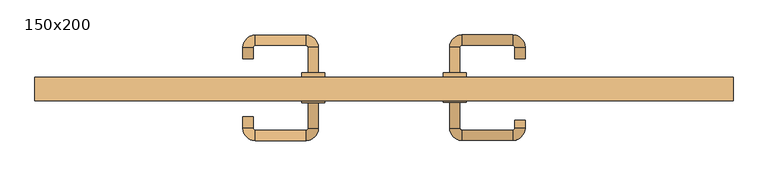
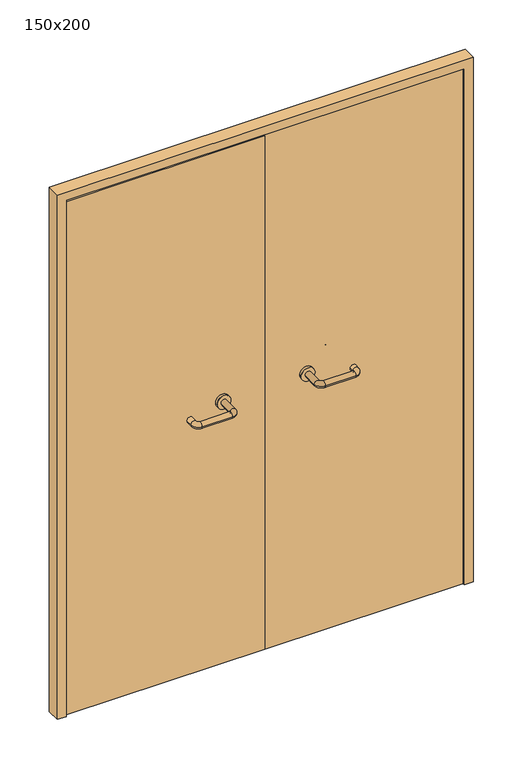
"""IFC4 building model written with IfcOpenShell, lengths in millimetres: door geometry, 150x200."""

from ifc_helpers import new_model, si_unit, point, frame, frame_2d, origin, place, context, project, spatial, polyline, circle_curve, ellipse_curve, trimmed, segment, composite_curve, outline, extrude, source, transform, mapped, element, save
from ifc_brep_helpers import plane_surface, cylinder_surface, revolved_surface, advanced_brep


def door_150x200_5b29adca(model_context):
    return source(origin(), model_context, "Body", "SolidModel", [
        extrude(outline(polyline([(2000.0, -750.0), (0.0, -750.0), (0.0, -718.0), (1968.0, -718.0), (1968.0, 718.0), (0.0, 718.0), (0.0, 750.0), (2000.0, 750.0), (2000.0, -750.0)])), frame((0.0, 100.0, 0.0), z_axis=(0.0, 1.0, 0.0), x_axis=(0.0, 0.0, 1.0)), (0.0, 0.0, 1.0), 50.0),
        advanced_brep(
        [(140.99898, 96.0, 1003.0), (162.99898, 96.0, 1003.0), (140.99898, 40.6474631, 1003.0), (162.99898, 40.6474631, 1003.0), (166.99898, 36.6474631, 1003.0), (166.99898, 14.6474631, 1003.0), (276.99898, 14.6474631, 1003.0), (276.99898, 36.6474631, 1003.0), (280.99898, 40.6474631, 1003.0), (302.99898, 40.6474631, 1003.0), (302.99898, 58.0, 1003.0), (280.99898, 58.0, 1003.0)],
        [
            (0, 1, circle_curve(frame((151.99898, 96.0, 1003.0), z_axis=(0.0, 1.0, 0.0), x_axis=(1.0, 0.0, 0.0)), 11.0)),
            (1, 0, circle_curve(frame((151.99898, 96.0, 1003.0), z_axis=(0.0, 1.0, 0.0), x_axis=(1.0, 0.0, 0.0)), 11.0)),
            (0, 2),
            (2, 3, circle_curve(frame((151.99898, 40.6474631, 1003.0), z_axis=(0.0, 1.0, 0.0), x_axis=(1.0, 0.0, 0.0)), 11.0)),
            (3, 1),
            (3, 2, circle_curve(frame((151.99898, 40.6474631, 1003.0), z_axis=(0.0, 1.0, 0.0), x_axis=(1.0, 0.0, 0.0)), 11.0)),
            (4, 3, circle_curve(frame((166.99898, 40.6474631, 1003.0), z_axis=(0.0, 0.0, -1.0), x_axis=(-1.0, 0.0, 0.0)), 4.0)),
            (2, 5, circle_curve(frame((166.99898, 40.6474631, 1003.0), z_axis=(0.0, 0.0, 1.0), x_axis=(-1.0, 0.0, 0.0)), 26.0)),
            (5, 4, circle_curve(frame((166.99898, 25.6474631, 1003.0), z_axis=(-1.0, 0.0, 0.0), x_axis=(0.0, 1.0, 0.0)), 11.0)),
            (4, 5, circle_curve(frame((166.99898, 25.6474631, 1003.0), z_axis=(-1.0, 0.0, 0.0), x_axis=(0.0, 1.0, 0.0)), 11.0)),
            (5, 6),
            (6, 7, circle_curve(frame((276.99898, 25.6474631, 1003.0), z_axis=(-1.0, 0.0, 0.0), x_axis=(0.0, 1.0, 0.0)), 11.0)),
            (7, 4),
            (7, 6, circle_curve(frame((276.99898, 25.6474631, 1003.0), z_axis=(-1.0, 0.0, 0.0), x_axis=(0.0, 1.0, 0.0)), 11.0)),
            (8, 7, circle_curve(frame((276.99898, 40.6474631, 1003.0), z_axis=(0.0, 0.0, -1.0), x_axis=(0.0, -1.0, 0.0)), 4.0)),
            (6, 9, circle_curve(frame((276.99898, 40.6474631, 1003.0), z_axis=(0.0, 0.0, 1.0), x_axis=(0.0, -1.0, 0.0)), 26.0)),
            (9, 8, circle_curve(frame((291.99898, 40.6474631, 1003.0), z_axis=(0.0, -1.0, 0.0), x_axis=(-1.0, 0.0, 0.0)), 11.0)),
            (8, 9, circle_curve(frame((291.99898, 40.6474631, 1003.0), z_axis=(0.0, -1.0, 0.0), x_axis=(-1.0, 0.0, 0.0)), 11.0)),
            (10, 11, circle_curve(frame((291.99898, 58.0, 1003.0), z_axis=(0.0, 1.0, 0.0), x_axis=(-1.0, 0.0, 0.0)), 11.0)),
            (11, 10, circle_curve(frame((291.99898, 58.0, 1003.0), z_axis=(0.0, 1.0, 0.0), x_axis=(-1.0, 0.0, 0.0)), 11.0)),
            (9, 10),
            (11, 8),
        ],
        [
            plane_surface(frame((140.99898, 96.0, 1003.0), z_axis=(0.0, 1.0, 0.0), x_axis=(0.0, 0.0, -1.0))),
            cylinder_surface(frame((151.99898, 96.0, 1003.0), z_axis=(0.0, 1.0, 0.0), x_axis=(1.0, 0.0, 0.0)), 11.0),
            revolved_surface(trimmed(ellipse_curve(frame((151.99898, 40.6474631, 1003.0), z_axis=(0.0, 1.0, 0.0), x_axis=(1.0, 0.0, 0.0)), 11.0, 11.0), [point((140.99898, 40.6474631, 1003.0))], [point((162.99898, 40.6474631, 1003.0))], True, "CARTESIAN"), (166.99898, 40.6474631, 1003.0), (0.0, 0.0, 1.0)),
            revolved_surface(trimmed(ellipse_curve(frame((151.99898, 40.6474631, 1003.0), z_axis=(0.0, 1.0, 0.0), x_axis=(1.0, 0.0, 0.0)), 11.0, 11.0), [point((162.99898, 40.6474631, 1003.0))], [point((140.99898, 40.6474631, 1003.0))], True, "CARTESIAN"), (166.99898, 40.6474631, 1003.0), (0.0, 0.0, 1.0)),
            cylinder_surface(frame((166.99898, 25.6474631, 1003.0), z_axis=(-1.0, 0.0, 0.0), x_axis=(0.0, 1.0, 0.0)), 11.0),
            revolved_surface(trimmed(ellipse_curve(frame((276.99898, 25.6474631, 1003.0), z_axis=(-1.0, 0.0, 0.0), x_axis=(0.0, 1.0, 0.0)), 11.0, 11.0), [point((276.99898, 14.6474631, 1003.0))], [point((276.99898, 36.6474631, 1003.0))], True, "CARTESIAN"), (276.99898, 40.6474631, 1003.0), (0.0, 0.0, 1.0)),
            revolved_surface(trimmed(ellipse_curve(frame((276.99898, 25.6474631, 1003.0), z_axis=(-1.0, 0.0, 0.0), x_axis=(0.0, 1.0, 0.0)), 11.0, 11.0), [point((276.99898, 36.6474631, 1003.0))], [point((276.99898, 14.6474631, 1003.0))], True, "CARTESIAN"), (276.99898, 40.6474631, 1003.0), (0.0, 0.0, 1.0)),
            plane_surface(frame((280.99898, 58.0, 1003.0), z_axis=(0.0, 1.0, 0.0), x_axis=(0.0, 0.0, 1.0))),
            cylinder_surface(frame((291.99898, 40.6474631, 1003.0), z_axis=(0.0, -1.0, 0.0), x_axis=(-1.0, 0.0, 0.0)), 11.0),
        ],
        [
            (0, [[1, 2]]),
            (1, [[-1, 3, 4, 5]]),
            (1, [[-2, -5, 6, -3]]),
            (2, [[7, -4, 8, 9]]),
            (3, [[-8, -6, -7, 10]]),
            (4, [[-9, 11, 12, 13]]),
            (4, [[-10, -13, 14, -11]]),
            (5, [[15, -12, 16, 17]]),
            (6, [[-16, -14, -15, 18]]),
            (7, [[19, 20]]),
            (8, [[-17, 21, -20, 22]]),
            (8, [[-18, -22, -19, -21]]),
        ],
    ),
        extrude(outline(composite_curve([segment(trimmed(circle_curve(frame_2d((1003.0, 151.99898)), 25.0), [point((1003.0, 126.99898))], [point((1003.0, 176.99898))], False, "CARTESIAN"), True, "CONTINUOUS"), segment(trimmed(circle_curve(frame_2d((1003.0, 151.99898)), 25.0), [point((1003.0, 176.99898))], [point((1003.0, 126.99898))], False, "CARTESIAN"), True, "CONTINUOUS")], self_intersect=False)), frame((0.0, 96.0, 0.0), z_axis=(0.0, 1.0, 0.0), x_axis=(0.0, 0.0, 1.0)), (0.0, 0.0, 1.0), 10.0),
        advanced_brep(
        [(162.99898, 160.0, 1003.0), (140.99898, 160.0, 1003.0), (162.99898, 215.0, 1003.0), (140.99898, 215.0, 1003.0), (166.99898, 241.0, 1003.0), (166.99898, 219.0, 1003.0), (276.99898, 219.0, 1003.0), (276.99898, 241.0, 1003.0), (302.99898, 215.0, 1003.0), (280.99898, 215.0, 1003.0), (280.99898, 190.0, 1003.0), (302.99898, 190.0, 1003.0)],
        [
            (0, 1, circle_curve(frame((151.99898, 160.0, 1003.0), z_axis=(0.0, -1.0, 0.0), x_axis=(-1.0, 0.0, 0.0)), 11.0)),
            (1, 0, circle_curve(frame((151.99898, 160.0, 1003.0), z_axis=(0.0, -1.0, 0.0), x_axis=(-1.0, 0.0, 0.0)), 11.0)),
            (0, 2),
            (2, 3, circle_curve(frame((151.99898, 215.0, 1003.0), z_axis=(0.0, -1.0, 0.0), x_axis=(-1.0, 0.0, 0.0)), 11.0)),
            (3, 1),
            (3, 2, circle_curve(frame((151.99898, 215.0, 1003.0), z_axis=(0.0, -1.0, 0.0), x_axis=(-1.0, 0.0, 0.0)), 11.0)),
            (4, 3, circle_curve(frame((166.99898, 215.0, 1003.0), z_axis=(0.0, 0.0, 1.0), x_axis=(-1.0, 0.0, 0.0)), 26.0)),
            (2, 5, circle_curve(frame((166.99898, 215.0, 1003.0), z_axis=(0.0, 0.0, -1.0), x_axis=(-1.0, 0.0, 0.0)), 4.0)),
            (5, 4, circle_curve(frame((166.99898, 230.0, 1003.0), z_axis=(-1.0, 0.0, 0.0), x_axis=(0.0, 1.0, 0.0)), 11.0)),
            (4, 5, circle_curve(frame((166.99898, 230.0, 1003.0), z_axis=(-1.0, 0.0, 0.0), x_axis=(0.0, 1.0, 0.0)), 11.0)),
            (5, 6),
            (6, 7, circle_curve(frame((276.99898, 230.0, 1003.0), z_axis=(-1.0, 0.0, 0.0), x_axis=(0.0, 1.0, 0.0)), 11.0)),
            (7, 4),
            (7, 6, circle_curve(frame((276.99898, 230.0, 1003.0), z_axis=(-1.0, 0.0, 0.0), x_axis=(0.0, 1.0, 0.0)), 11.0)),
            (8, 7, circle_curve(frame((276.99898, 215.0, 1003.0), z_axis=(0.0, 0.0, 1.0), x_axis=(0.0, 1.0, 0.0)), 26.0)),
            (6, 9, circle_curve(frame((276.99898, 215.0, 1003.0), z_axis=(0.0, 0.0, -1.0), x_axis=(0.0, 1.0, 0.0)), 4.0)),
            (9, 8, circle_curve(frame((291.99898, 215.0, 1003.0), z_axis=(0.0, 1.0, 0.0), x_axis=(1.0, 0.0, 0.0)), 11.0)),
            (8, 9, circle_curve(frame((291.99898, 215.0, 1003.0), z_axis=(0.0, 1.0, 0.0), x_axis=(1.0, 0.0, 0.0)), 11.0)),
            (10, 11, circle_curve(frame((291.99898, 190.0, 1003.0), z_axis=(0.0, -1.0, 0.0), x_axis=(1.0, 0.0, 0.0)), 11.0)),
            (11, 10, circle_curve(frame((291.99898, 190.0, 1003.0), z_axis=(0.0, -1.0, 0.0), x_axis=(1.0, 0.0, 0.0)), 11.0)),
            (9, 10),
            (11, 8),
        ],
        [
            plane_surface(frame((140.99898, 160.0, 1003.0), z_axis=(0.0, -1.0, 0.0), x_axis=(0.0, 0.0, 1.0))),
            cylinder_surface(frame((151.99898, 160.0, 1003.0), z_axis=(0.0, -1.0, 0.0), x_axis=(-1.0, 0.0, 0.0)), 11.0),
            revolved_surface(trimmed(ellipse_curve(frame((151.99898, 215.0, 1003.0), z_axis=(0.0, -1.0, 0.0), x_axis=(-1.0, 0.0, 0.0)), 11.0, 11.0), [point((162.99898, 215.0, 1003.0))], [point((140.99898, 215.0, 1003.0))], True, "CARTESIAN"), (166.99898, 215.0, 1003.0), (0.0, 0.0, -1.0)),
            revolved_surface(trimmed(ellipse_curve(frame((151.99898, 215.0, 1003.0), z_axis=(0.0, -1.0, 0.0), x_axis=(-1.0, 0.0, 0.0)), 11.0, 11.0), [point((140.99898, 215.0, 1003.0))], [point((162.99898, 215.0, 1003.0))], True, "CARTESIAN"), (166.99898, 215.0, 1003.0), (0.0, 0.0, -1.0)),
            cylinder_surface(frame((166.99898, 230.0, 1003.0), z_axis=(-1.0, 0.0, 0.0), x_axis=(0.0, 1.0, 0.0)), 11.0),
            revolved_surface(trimmed(ellipse_curve(frame((276.99898, 230.0, 1003.0), z_axis=(-1.0, 0.0, 0.0), x_axis=(0.0, 1.0, 0.0)), 11.0, 11.0), [point((276.99898, 219.0, 1003.0))], [point((276.99898, 241.0, 1003.0))], True, "CARTESIAN"), (276.99898, 215.0, 1003.0), (0.0, 0.0, -1.0)),
            revolved_surface(trimmed(ellipse_curve(frame((276.99898, 230.0, 1003.0), z_axis=(-1.0, 0.0, 0.0), x_axis=(0.0, 1.0, 0.0)), 11.0, 11.0), [point((276.99898, 241.0, 1003.0))], [point((276.99898, 219.0, 1003.0))], True, "CARTESIAN"), (276.99898, 215.0, 1003.0), (0.0, 0.0, -1.0)),
            plane_surface(frame((280.99898, 190.0, 1003.0), z_axis=(0.0, -1.0, 0.0), x_axis=(0.0, 0.0, -1.0))),
            cylinder_surface(frame((291.99898, 215.0, 1003.0), z_axis=(0.0, 1.0, 0.0), x_axis=(1.0, 0.0, 0.0)), 11.0),
        ],
        [
            (0, [[1, 2]]),
            (1, [[-1, 3, 4, 5]]),
            (1, [[-2, -5, 6, -3]]),
            (2, [[7, -4, 8, 9]]),
            (3, [[-8, -6, -7, 10]]),
            (4, [[-9, 11, 12, 13]]),
            (4, [[-10, -13, 14, -11]]),
            (5, [[15, -12, 16, 17]]),
            (6, [[-16, -14, -15, 18]]),
            (7, [[19, 20]]),
            (8, [[-17, 21, -20, 22]]),
            (8, [[-18, -22, -19, -21]]),
        ],
    ),
        extrude(outline(composite_curve([segment(trimmed(circle_curve(frame_2d((1003.0, 151.99898)), 25.0), [point((1003.0, 176.99898))], [point((1003.0, 126.99898))], False, "CARTESIAN"), True, "CONTINUOUS"), segment(trimmed(circle_curve(frame_2d((1003.0, 151.99898)), 25.0), [point((1003.0, 126.99898))], [point((1003.0, 176.99898))], False, "CARTESIAN"), True, "CONTINUOUS")], self_intersect=False)), frame((0.0, 150.0, 0.0), z_axis=(0.0, 1.0, 0.0), x_axis=(0.0, 0.0, 1.0)), (0.0, 0.0, 1.0), 10.0),
        advanced_brep(
        [(-162.99898, 95.6886121, 1003.0), (-140.99898, 95.6886121, 1003.0), (-162.99898, 40.2779553, 1003.0), (-140.99898, 40.2779553, 1003.0), (-166.99898, 14.2779553, 1003.0), (-166.99898, 36.2779553, 1003.0), (-276.99898, 36.2779553, 1003.0), (-276.99898, 14.2779553, 1003.0), (-302.99898, 40.2779553, 1003.0), (-280.99898, 40.2779553, 1003.0), (-280.99898, 65.2779553, 1003.0), (-302.99898, 65.2779553, 1003.0)],
        [
            (0, 1, circle_curve(frame((-151.99898, 95.6886121, 1003.0), z_axis=(0.0, 1.0, 0.0), x_axis=(1.0, 0.0, 0.0)), 11.0)),
            (1, 0, circle_curve(frame((-151.99898, 95.6886121, 1003.0), z_axis=(0.0, 1.0, 0.0), x_axis=(1.0, 0.0, 0.0)), 11.0)),
            (0, 2),
            (2, 3, circle_curve(frame((-151.99898, 40.2779553, 1003.0), z_axis=(0.0, 1.0, 0.0), x_axis=(1.0, 0.0, 0.0)), 11.0)),
            (3, 1),
            (3, 2, circle_curve(frame((-151.99898, 40.2779553, 1003.0), z_axis=(0.0, 1.0, 0.0), x_axis=(1.0, 0.0, 0.0)), 11.0)),
            (4, 3, circle_curve(frame((-166.99898, 40.2779553, 1003.0), z_axis=(0.0, 0.0, 1.0), x_axis=(1.0, 0.0, 0.0)), 26.0)),
            (2, 5, circle_curve(frame((-166.99898, 40.2779553, 1003.0), z_axis=(0.0, 0.0, -1.0), x_axis=(1.0, 0.0, 0.0)), 4.0)),
            (5, 4, circle_curve(frame((-166.99898, 25.2779553, 1003.0), z_axis=(1.0, 0.0, 0.0), x_axis=(0.0, -1.0, 0.0)), 11.0)),
            (4, 5, circle_curve(frame((-166.99898, 25.2779553, 1003.0), z_axis=(1.0, 0.0, 0.0), x_axis=(0.0, -1.0, 0.0)), 11.0)),
            (5, 6),
            (6, 7, circle_curve(frame((-276.99898, 25.2779553, 1003.0), z_axis=(1.0, 0.0, 0.0), x_axis=(0.0, -1.0, 0.0)), 11.0)),
            (7, 4),
            (7, 6, circle_curve(frame((-276.99898, 25.2779553, 1003.0), z_axis=(1.0, 0.0, 0.0), x_axis=(0.0, -1.0, 0.0)), 11.0)),
            (8, 7, circle_curve(frame((-276.99898, 40.2779553, 1003.0), z_axis=(0.0, 0.0, 1.0), x_axis=(0.0, -1.0, 0.0)), 26.0)),
            (6, 9, circle_curve(frame((-276.99898, 40.2779553, 1003.0), z_axis=(0.0, 0.0, -1.0), x_axis=(0.0, -1.0, 0.0)), 4.0)),
            (9, 8, circle_curve(frame((-291.99898, 40.2779553, 1003.0), z_axis=(0.0, -1.0, 0.0), x_axis=(-1.0, 0.0, 0.0)), 11.0)),
            (8, 9, circle_curve(frame((-291.99898, 40.2779553, 1003.0), z_axis=(0.0, -1.0, 0.0), x_axis=(-1.0, 0.0, 0.0)), 11.0)),
            (10, 11, circle_curve(frame((-291.99898, 65.2779553, 1003.0), z_axis=(0.0, 1.0, 0.0), x_axis=(-1.0, 0.0, 0.0)), 11.0)),
            (11, 10, circle_curve(frame((-291.99898, 65.2779553, 1003.0), z_axis=(0.0, 1.0, 0.0), x_axis=(-1.0, 0.0, 0.0)), 11.0)),
            (9, 10),
            (11, 8),
        ],
        [
            plane_surface(frame((-162.99898, 95.6886121, 1003.0), z_axis=(0.0, 1.0, 0.0), x_axis=(0.0, 0.0, -1.0))),
            cylinder_surface(frame((-151.99898, 95.6886121, 1003.0), z_axis=(0.0, 1.0, 0.0), x_axis=(1.0, 0.0, 0.0)), 11.0),
            revolved_surface(trimmed(ellipse_curve(frame((-151.99898, 40.2779553, 1003.0), z_axis=(0.0, 1.0, 0.0), x_axis=(1.0, 0.0, 0.0)), 11.0, 11.0), [point((-162.99898, 40.2779553, 1003.0))], [point((-140.99898, 40.2779553, 1003.0))], True, "CARTESIAN"), (-166.99898, 40.2779553, 1003.0), (0.0, 0.0, -1.0)),
            revolved_surface(trimmed(ellipse_curve(frame((-151.99898, 40.2779553, 1003.0), z_axis=(0.0, 1.0, 0.0), x_axis=(1.0, 0.0, 0.0)), 11.0, 11.0), [point((-140.99898, 40.2779553, 1003.0))], [point((-162.99898, 40.2779553, 1003.0))], True, "CARTESIAN"), (-166.99898, 40.2779553, 1003.0), (0.0, 0.0, -1.0)),
            cylinder_surface(frame((-166.99898, 25.2779553, 1003.0), z_axis=(1.0, 0.0, 0.0), x_axis=(0.0, -1.0, 0.0)), 11.0),
            revolved_surface(trimmed(ellipse_curve(frame((-276.99898, 25.2779553, 1003.0), z_axis=(1.0, 0.0, 0.0), x_axis=(0.0, -1.0, 0.0)), 11.0, 11.0), [point((-276.99898, 36.2779553, 1003.0))], [point((-276.99898, 14.2779553, 1003.0))], True, "CARTESIAN"), (-276.99898, 40.2779553, 1003.0), (0.0, 0.0, -1.0)),
            revolved_surface(trimmed(ellipse_curve(frame((-276.99898, 25.2779553, 1003.0), z_axis=(1.0, 0.0, 0.0), x_axis=(0.0, -1.0, 0.0)), 11.0, 11.0), [point((-276.99898, 14.2779553, 1003.0))], [point((-276.99898, 36.2779553, 1003.0))], True, "CARTESIAN"), (-276.99898, 40.2779553, 1003.0), (0.0, 0.0, -1.0)),
            plane_surface(frame((-302.99898, 65.2779553, 1003.0), z_axis=(0.0, 1.0, 0.0), x_axis=(0.0, 0.0, 1.0))),
            cylinder_surface(frame((-291.99898, 40.2779553, 1003.0), z_axis=(0.0, -1.0, 0.0), x_axis=(-1.0, 0.0, 0.0)), 11.0),
        ],
        [
            (0, [[1, 2]]),
            (1, [[-1, 3, 4, 5]]),
            (1, [[-2, -5, 6, -3]]),
            (2, [[7, -4, 8, 9]]),
            (3, [[-8, -6, -7, 10]]),
            (4, [[-9, 11, 12, 13]]),
            (4, [[-10, -13, 14, -11]]),
            (5, [[15, -12, 16, 17]]),
            (6, [[-16, -14, -15, 18]]),
            (7, [[19, 20]]),
            (8, [[-17, 21, -20, 22]]),
            (8, [[-18, -22, -19, -21]]),
        ],
    ),
        extrude(outline(composite_curve([segment(trimmed(circle_curve(frame_2d((1003.0, -151.99898)), 25.0), [point((1003.0, -176.99898))], [point((1003.0, -126.99898))], False, "CARTESIAN"), True, "CONTINUOUS"), segment(trimmed(circle_curve(frame_2d((1003.0, -151.99898)), 25.0), [point((1003.0, -126.99898))], [point((1003.0, -176.99898))], False, "CARTESIAN"), True, "CONTINUOUS")], self_intersect=False)), frame((0.0, 95.6886121, 0.0), z_axis=(0.0, 1.0, 0.0), x_axis=(0.0, 0.0, 1.0)), (0.0, 0.0, 1.0), 10.3113879),
        advanced_brep(
        [(-140.99898, 159.5143417, 1003.0), (-162.99898, 159.5143417, 1003.0), (-140.99898, 214.6104656, 1003.0), (-162.99898, 214.6104656, 1003.0), (-166.99898, 218.6104656, 1003.0), (-166.99898, 240.6104656, 1003.0), (-276.99898, 240.6104656, 1003.0), (-276.99898, 218.6104656, 1003.0), (-280.99898, 214.6104656, 1003.0), (-302.99898, 214.6104656, 1003.0), (-302.99898, 189.6104656, 1003.0), (-280.99898, 189.6104656, 1003.0)],
        [
            (0, 1, circle_curve(frame((-151.99898, 159.5143417, 1003.0), z_axis=(0.0, -1.0, 0.0), x_axis=(-1.0, 0.0, 0.0)), 11.0)),
            (1, 0, circle_curve(frame((-151.99898, 159.5143417, 1003.0), z_axis=(0.0, -1.0, 0.0), x_axis=(-1.0, 0.0, 0.0)), 11.0)),
            (0, 2),
            (2, 3, circle_curve(frame((-151.99898, 214.6104656, 1003.0), z_axis=(0.0, -1.0, 0.0), x_axis=(-1.0, 0.0, 0.0)), 11.0)),
            (3, 1),
            (3, 2, circle_curve(frame((-151.99898, 214.6104656, 1003.0), z_axis=(0.0, -1.0, 0.0), x_axis=(-1.0, 0.0, 0.0)), 11.0)),
            (4, 3, circle_curve(frame((-166.99898, 214.6104656, 1003.0), z_axis=(0.0, 0.0, -1.0), x_axis=(1.0, 0.0, 0.0)), 4.0)),
            (2, 5, circle_curve(frame((-166.99898, 214.6104656, 1003.0), z_axis=(0.0, 0.0, 1.0), x_axis=(1.0, 0.0, 0.0)), 26.0)),
            (5, 4, circle_curve(frame((-166.99898, 229.6104656, 1003.0), z_axis=(1.0, 0.0, 0.0), x_axis=(0.0, -1.0, 0.0)), 11.0)),
            (4, 5, circle_curve(frame((-166.99898, 229.6104656, 1003.0), z_axis=(1.0, 0.0, 0.0), x_axis=(0.0, -1.0, 0.0)), 11.0)),
            (5, 6),
            (6, 7, circle_curve(frame((-276.99898, 229.6104656, 1003.0), z_axis=(1.0, 0.0, 0.0), x_axis=(0.0, -1.0, 0.0)), 11.0)),
            (7, 4),
            (7, 6, circle_curve(frame((-276.99898, 229.6104656, 1003.0), z_axis=(1.0, 0.0, 0.0), x_axis=(0.0, -1.0, 0.0)), 11.0)),
            (8, 7, circle_curve(frame((-276.99898, 214.6104656, 1003.0), z_axis=(0.0, 0.0, -1.0), x_axis=(0.0, 1.0, 0.0)), 4.0)),
            (6, 9, circle_curve(frame((-276.99898, 214.6104656, 1003.0), z_axis=(0.0, 0.0, 1.0), x_axis=(0.0, 1.0, 0.0)), 26.0)),
            (9, 8, circle_curve(frame((-291.99898, 214.6104656, 1003.0), z_axis=(0.0, 1.0, 0.0), x_axis=(1.0, 0.0, 0.0)), 11.0)),
            (8, 9, circle_curve(frame((-291.99898, 214.6104656, 1003.0), z_axis=(0.0, 1.0, 0.0), x_axis=(1.0, 0.0, 0.0)), 11.0)),
            (10, 11, circle_curve(frame((-291.99898, 189.6104656, 1003.0), z_axis=(0.0, -1.0, 0.0), x_axis=(1.0, 0.0, 0.0)), 11.0)),
            (11, 10, circle_curve(frame((-291.99898, 189.6104656, 1003.0), z_axis=(0.0, -1.0, 0.0), x_axis=(1.0, 0.0, 0.0)), 11.0)),
            (9, 10),
            (11, 8),
        ],
        [
            plane_surface(frame((-162.99898, 159.5143417, 1003.0), z_axis=(0.0, -1.0, 0.0), x_axis=(0.0, 0.0, 1.0))),
            cylinder_surface(frame((-151.99898, 159.5143417, 1003.0), z_axis=(0.0, -1.0, 0.0), x_axis=(-1.0, 0.0, 0.0)), 11.0),
            revolved_surface(trimmed(ellipse_curve(frame((-151.99898, 214.6104656, 1003.0), z_axis=(0.0, -1.0, 0.0), x_axis=(-1.0, 0.0, 0.0)), 11.0, 11.0), [point((-140.99898, 214.6104656, 1003.0))], [point((-162.99898, 214.6104656, 1003.0))], True, "CARTESIAN"), (-166.99898, 214.6104656, 1003.0), (0.0, 0.0, 1.0)),
            revolved_surface(trimmed(ellipse_curve(frame((-151.99898, 214.6104656, 1003.0), z_axis=(0.0, -1.0, 0.0), x_axis=(-1.0, 0.0, 0.0)), 11.0, 11.0), [point((-162.99898, 214.6104656, 1003.0))], [point((-140.99898, 214.6104656, 1003.0))], True, "CARTESIAN"), (-166.99898, 214.6104656, 1003.0), (0.0, 0.0, 1.0)),
            cylinder_surface(frame((-166.99898, 229.6104656, 1003.0), z_axis=(1.0, 0.0, 0.0), x_axis=(0.0, -1.0, 0.0)), 11.0),
            revolved_surface(trimmed(ellipse_curve(frame((-276.99898, 229.6104656, 1003.0), z_axis=(1.0, 0.0, 0.0), x_axis=(0.0, -1.0, 0.0)), 11.0, 11.0), [point((-276.99898, 240.6104656, 1003.0))], [point((-276.99898, 218.6104656, 1003.0))], True, "CARTESIAN"), (-276.99898, 214.6104656, 1003.0), (0.0, 0.0, 1.0)),
            revolved_surface(trimmed(ellipse_curve(frame((-276.99898, 229.6104656, 1003.0), z_axis=(1.0, 0.0, 0.0), x_axis=(0.0, -1.0, 0.0)), 11.0, 11.0), [point((-276.99898, 218.6104656, 1003.0))], [point((-276.99898, 240.6104656, 1003.0))], True, "CARTESIAN"), (-276.99898, 214.6104656, 1003.0), (0.0, 0.0, 1.0)),
            plane_surface(frame((-302.99898, 189.6104656, 1003.0), z_axis=(0.0, -1.0, 0.0), x_axis=(0.0, 0.0, -1.0))),
            cylinder_surface(frame((-291.99898, 214.6104656, 1003.0), z_axis=(0.0, 1.0, 0.0), x_axis=(1.0, 0.0, 0.0)), 11.0),
        ],
        [
            (0, [[1, 2]]),
            (1, [[-1, 3, 4, 5]]),
            (1, [[-2, -5, 6, -3]]),
            (2, [[7, -4, 8, 9]]),
            (3, [[-8, -6, -7, 10]]),
            (4, [[-9, 11, 12, 13]]),
            (4, [[-10, -13, 14, -11]]),
            (5, [[15, -12, 16, 17]]),
            (6, [[-16, -14, -15, 18]]),
            (7, [[19, 20]]),
            (8, [[-17, 21, -20, 22]]),
            (8, [[-18, -22, -19, -21]]),
        ],
    ),
        extrude(outline(composite_curve([segment(trimmed(circle_curve(frame_2d((1003.0, -151.99898)), 25.0), [point((1003.0, -126.99898))], [point((1003.0, -176.99898))], False, "CARTESIAN"), True, "CONTINUOUS"), segment(trimmed(circle_curve(frame_2d((1003.0, -151.99898)), 25.0), [point((1003.0, -176.99898))], [point((1003.0, -126.99898))], False, "CARTESIAN"), True, "CONTINUOUS")], self_intersect=False)), frame((0.0, 150.0, 0.0), z_axis=(0.0, 1.0, 0.0), x_axis=(0.0, 0.0, 1.0)), (0.0, 0.0, 1.0), 9.5143417),
        extrude(outline(polyline([(1.0739506, 106.0), (-715.0, 106.0), (-715.0, 150.0), (1.0739506, 150.0), (1.0739506, 106.0)])), frame((0.0, 0.0, 1.753223), z_axis=(0.0, 0.0, 1.0), x_axis=(1.0, 0.0, 0.0)), (0.0, 0.0, 1.0), 1957.246777),
        extrude(outline(polyline([(715.0, 106.0), (1.0739506, 106.0), (1.0739506, 150.0), (715.0, 150.0), (715.0, 106.0)])), frame((0.0, 0.0, 1.753223), z_axis=(0.0, 0.0, 1.0), x_axis=(1.0, 0.0, 0.0)), (0.0, 0.0, 1.0), 1966.246777),
    ])


if __name__ == "__main__":
    model = new_model("IFC4")
    model_context = context("Model", 3, world=origin())
    ifc_project = project(units=[si_unit("LENGTHUNIT", "METRE", prefix="MILLI")], contexts=[model_context])
    site = spatial("IfcSite", under=ifc_project)
    building = spatial("IfcBuilding", under=site)
    placement = place(None, origin())
    door_150x200_shape = door_150x200_5b29adca(model_context)
    element("IfcDoor", 1, ObjectType="150x200", at=placement, inside=building, context=model_context, shape_type="MappedRepresentation", body=[
        mapped(door_150x200_shape, transform((0.0, 0.0, 0.0), x_axis=(1.0, 0.0, 0.0), y_axis=(0.0, 1.0, 0.0), z_axis=(0.0, 0.0, 1.0))),
    ])
    save(model, "model.ifc")
